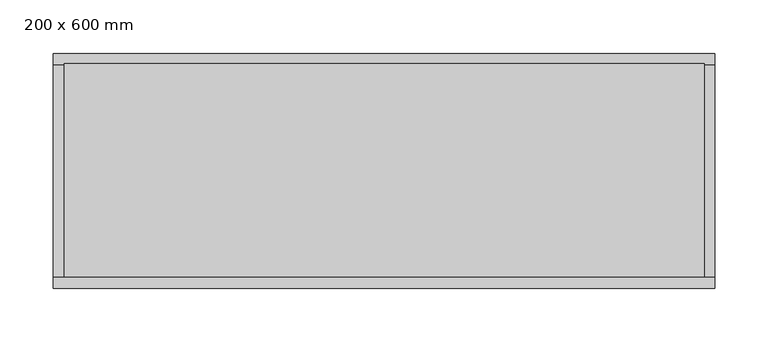
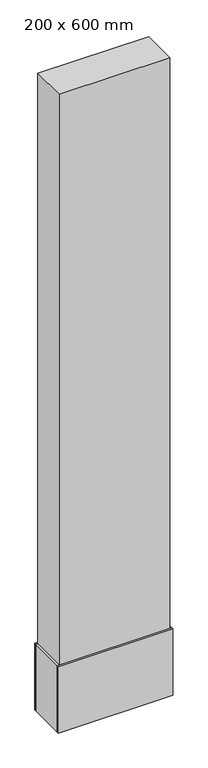
"""IFC4 building model written with IfcOpenShell, lengths in millimetres: column geometry, 200 x 600 mm."""

from ifc_helpers import new_model, si_unit, frame, origin, place, context, project, spatial, polyline, outline, extrude, source, transform, mapped, element, save


def column_200_x_600_mm_ba90b2d0(model_context):
    return source(origin(), model_context, "Body", "SweptSolid", [
        extrude(outline(polyline([(310.0, -110.0), (-310.0, -110.0), (-310.0, -100.0), (310.0, -100.0), (310.0, -110.0)])), frame((0.0, 0.0, -150.0), z_axis=(0.0, 0.0, 1.0), x_axis=(1.0, 0.0, 0.0)), (0.0, 0.0, 1.0), 380.9303136),
        extrude(outline(polyline([(310.0, 100.0), (-310.0, 100.0), (-310.0, 110.0), (310.0, 110.0), (310.0, 100.0)])), frame((0.0, 0.0, -150.0), z_axis=(0.0, 0.0, 1.0), x_axis=(1.0, 0.0, 0.0)), (0.0, 0.0, 1.0), 380.9303136),
        extrude(outline(polyline([(-300.0, 100.0), (-300.0, -100.0), (-310.0, -100.0), (-310.0, 100.0), (-300.0, 100.0)])), frame((0.0, 0.0, -150.0), z_axis=(0.0, 0.0, 1.0), x_axis=(1.0, 0.0, 0.0)), (0.0, 0.0, 1.0), 380.9303136),
        extrude(outline(polyline([(310.0, 100.0), (310.0, -100.0), (300.0, -100.0), (300.0, 100.0), (310.0, 100.0)])), frame((0.0, 0.0, -150.0), z_axis=(0.0, 0.0, 1.0), x_axis=(1.0, 0.0, 0.0)), (0.0, 0.0, 1.0), 380.9303136),
        extrude(outline(polyline([(300.0, 100.0), (300.0, -100.0), (-300.0, -100.0), (-300.0, 100.0), (300.0, 100.0)])), frame((0.0, 0.0, -150.0), z_axis=(0.0, 0.0, 1.0), x_axis=(1.0, 0.0, 0.0)), (0.0, 0.0, 1.0), 3650.0),
    ])


if __name__ == "__main__":
    model = new_model("IFC4")
    model_context = context("Model", 3, world=origin())
    ifc_project = project(units=[si_unit("LENGTHUNIT", "METRE", prefix="MILLI")], contexts=[model_context])
    site = spatial("IfcSite", under=ifc_project)
    building = spatial("IfcBuilding", under=site)
    placement = place(None, origin())
    column_200_x_600_mm_shape = column_200_x_600_mm_ba90b2d0(model_context)
    element("IfcColumn", 1, ObjectType="200 x 600 mm", at=placement, inside=building, context=model_context, shape_type="MappedRepresentation", body=[
        mapped(column_200_x_600_mm_shape, transform((0.0, 0.0, 0.0), x_axis=(1.0, 0.0, 0.0), y_axis=(0.0, 1.0, 0.0), z_axis=(0.0, 0.0, 1.0))),
    ])
    save(model, "model.ifc")
